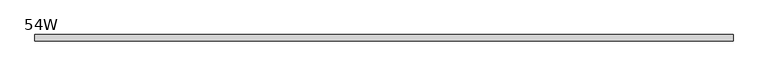
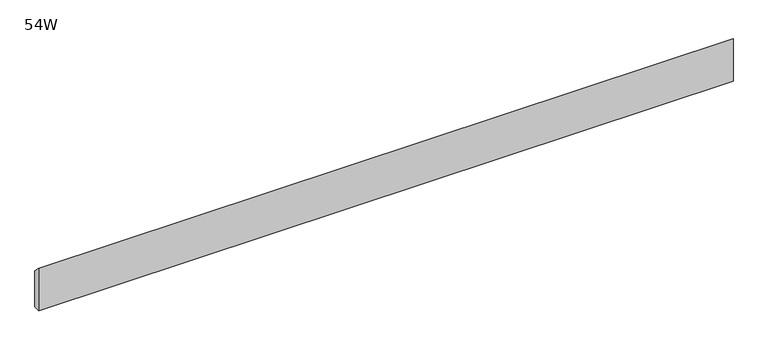
"""IFC4 building model written with IfcOpenShell, lengths in millimetres: furniture geometry, 54W."""

from ifc_helpers import new_model, si_unit, frame, origin, place, context, project, spatial, polyline, outline, extrude, source, transform, mapped, element, save


def furniture_54w_026e4351(model_context):
    return source(origin(), model_context, "Body", "SweptSolid", [
        extrude(outline(polyline([(-11.938, 677.7482), (-11.938, 760.2982), (0.0, 747.5982), (0.0, 677.7482), (-11.938, 677.7482)])), frame((48.006, 0.0, 0.0), z_axis=(1.0, 0.0, 0.0), x_axis=(0.0, 1.0, 0.0)), (0.0, 0.0, 1.0), 1275.588),
    ])


if __name__ == "__main__":
    model = new_model("IFC4")
    model_context = context("Model", 3, world=origin())
    ifc_project = project(units=[si_unit("LENGTHUNIT", "METRE", prefix="MILLI")], contexts=[model_context])
    site = spatial("IfcSite", under=ifc_project)
    building = spatial("IfcBuilding", under=site)
    placement = place(None, origin())
    furniture_54w_shape = furniture_54w_026e4351(model_context)
    element("IfcFurniture", 1, ObjectType="54W", at=placement, inside=building, context=model_context, shape_type="MappedRepresentation", body=[
        mapped(furniture_54w_shape, transform((0.0, 0.0, 0.0), x_axis=(1.0, 0.0, 0.0), y_axis=(0.0, 1.0, 0.0), z_axis=(0.0, 0.0, 1.0))),
    ])
    save(model, "model.ifc")
